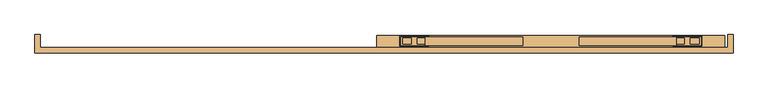
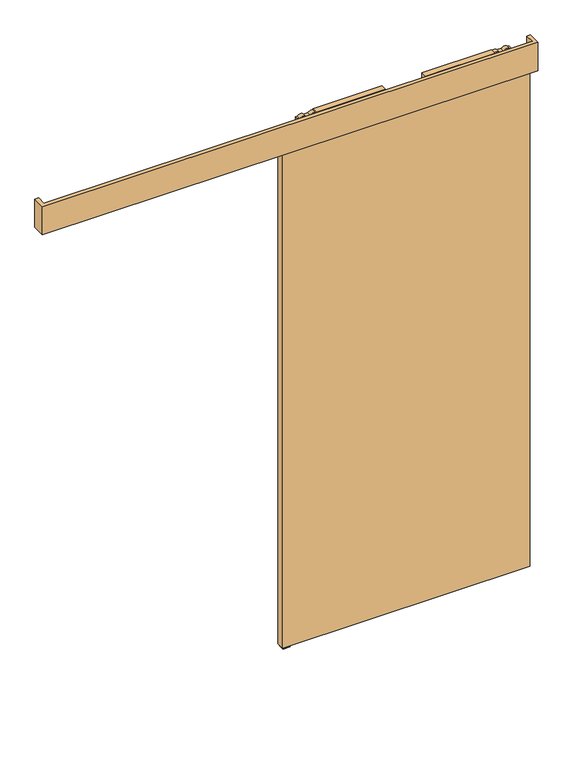
"""IFC4 building model written with IfcOpenShell, lengths in millimetres: door geometry."""

from ifc_helpers import new_model, si_unit, point, frame, frame_2d, origin, place, context, project, spatial, polyline, circle_curve, trimmed, segment, composite_curve, outline, extrude, source, transform, mapped, element, save
from ifc_brep_helpers import plane_surface, cylinder_surface, advanced_brep


def door_35583981(model_context):
    return source(origin(), model_context, "Body", "SolidModel", [
        extrude(outline(polyline([(2696.7, 550.45), (2696.7, 214.75), (2669.7, 214.75), (2669.7, 220.35), (2694.7, 220.35), (2694.7, 225.0), (2664.6, 225.0), (2664.6, 550.45), (2696.7, 550.45)])), frame((0.0, -14.7425737, 0.0), z_axis=(0.0, 1.0, 0.0), x_axis=(0.0, 0.0, 1.0)), (0.0, 0.0, 1.0), 29.0),
        advanced_brep(
        [(130.0, 14.2574263, 2687.3), (130.0, -14.7425737, 2687.3), (225.0, -14.7425737, 2687.3), (225.0, 14.2574263, 2687.3), (187.927668, -10.9457536, 2687.3), (187.927668, 10.4606061, 2687.3), (218.21694, 10.4606061, 2687.3), (218.21694, -10.9457536, 2687.3), (136.78306, -10.9457536, 2687.3), (136.78306, 10.4606061, 2687.3), (167.072332, 10.4606061, 2687.3), (167.072332, -10.9457536, 2687.3), (130.0, 14.2574263, 2672.3), (225.0, 14.2574263, 2672.3), (225.0, -14.7425737, 2672.3), (130.0, -14.7425737, 2672.3), (218.21694, -10.9457536, 2672.3), (218.21694, 10.4606061, 2672.3), (187.927668, 10.4606061, 2672.3), (187.927668, -10.9457536, 2672.3), (167.072332, -10.9457536, 2672.3), (167.072332, 10.4606061, 2672.3), (136.78306, 10.4606061, 2672.3), (136.78306, -10.9457536, 2672.3), (182.45, -0.5, 2672.3), (172.55, -0.5, 2672.3), (182.45, -0.5, 2653.8), (172.55, -0.5, 2653.8)],
        [
            (0, 1),
            (1, 2),
            (2, 3),
            (3, 0),
            (4, 5),
            (5, 6),
            (6, 7),
            (7, 4),
            (8, 9),
            (9, 10),
            (10, 11),
            (11, 8),
            (12, 13),
            (13, 14),
            (14, 15),
            (15, 12),
            (16, 17),
            (17, 18),
            (18, 19),
            (19, 16),
            (20, 21),
            (21, 22),
            (22, 23),
            (23, 20),
            (24, 25, circle_curve(frame((177.5, -0.5, 2672.3), z_axis=(0.0, 0.0, 1.0), x_axis=(-1.0, 0.0, 0.0)), 4.95)),
            (25, 24, circle_curve(frame((177.5, -0.5, 2672.3), z_axis=(0.0, 0.0, 1.0), x_axis=(-1.0, 0.0, 0.0)), 4.95)),
            (3, 13),
            (12, 0),
            (2, 14),
            (1, 15),
            (7, 4, circle_curve(frame((203.072304, -10.9457536, 2679.8), z_axis=(0.0, -1.0, 0.0), x_axis=(-1.0, 0.0, 0.0)), 16.9)),
            (19, 16, circle_curve(frame((203.072304, -10.9457536, 2679.8), z_axis=(0.0, -1.0, 0.0), x_axis=(-1.0, 0.0, 0.0)), 16.9)),
            (5, 6, circle_curve(frame((203.072304, 10.4606061, 2679.8), z_axis=(0.0, 1.0, 0.0), x_axis=(-1.0, 0.0, 0.0)), 16.9)),
            (17, 18, circle_curve(frame((203.072304, 10.4606061, 2679.8), z_axis=(0.0, 1.0, 0.0), x_axis=(-1.0, 0.0, 0.0)), 16.9)),
            (11, 8, circle_curve(frame((151.927696, -10.9457536, 2679.8), z_axis=(0.0, -1.0, 0.0), x_axis=(1.0, 0.0, 0.0)), 16.9)),
            (23, 20, circle_curve(frame((151.927696, -10.9457536, 2679.8), z_axis=(0.0, -1.0, 0.0), x_axis=(1.0, 0.0, 0.0)), 16.9)),
            (9, 10, circle_curve(frame((151.927696, 10.4606061, 2679.8), z_axis=(0.0, 1.0, 0.0), x_axis=(1.0, 0.0, 0.0)), 16.9)),
            (21, 22, circle_curve(frame((151.927696, 10.4606061, 2679.8), z_axis=(0.0, 1.0, 0.0), x_axis=(1.0, 0.0, 0.0)), 16.9)),
            (26, 27, circle_curve(frame((177.5, -0.5, 2653.8), z_axis=(0.0, 0.0, -1.0), x_axis=(-1.0, 0.0, 0.0)), 4.95)),
            (27, 26, circle_curve(frame((177.5, -0.5, 2653.8), z_axis=(0.0, 0.0, -1.0), x_axis=(-1.0, 0.0, 0.0)), 4.95)),
            (26, 24),
            (25, 27),
        ],
        [
            plane_surface(frame((225.0, 14.2574263, 2687.3), z_axis=(0.0, 0.0, 1.0), x_axis=(1.0, 0.0, 0.0))),
            plane_surface(frame((225.0, 14.2574263, 2672.3), z_axis=(0.0, 0.0, -1.0), x_axis=(-1.0, 0.0, 0.0))),
            plane_surface(frame((130.0, 14.2574263, 2687.3), z_axis=(0.0, 1.0, 0.0), x_axis=(0.0, 0.0, -1.0))),
            plane_surface(frame((225.0, 14.2574263, 2687.3), z_axis=(1.0, 0.0, 0.0), x_axis=(0.0, 0.0, -1.0))),
            plane_surface(frame((225.0, -14.7425737, 2687.3), z_axis=(0.0, -1.0, 0.0), x_axis=(0.0, 0.0, -1.0))),
            plane_surface(frame((130.0, -14.7425737, 2687.3), z_axis=(-1.0, 0.0, 0.0), x_axis=(0.0, 0.0, -1.0))),
            plane_surface(frame((186.172304, -10.9457536, 2679.8), z_axis=(0.0, -1.0, 0.0), x_axis=(0.0, 0.0, 1.0))),
            plane_surface(frame((186.172304, 10.4606061, 2679.8), z_axis=(0.0, 1.0, 0.0), x_axis=(0.0, 0.0, -1.0))),
            cylinder_surface(frame((203.072304, 10.4606061, 2679.8), z_axis=(0.0, -1.0, 0.0), x_axis=(-1.0, 0.0, 0.0)), 16.9),
            plane_surface(frame((168.827696, -10.9457536, 2679.8), z_axis=(0.0, -1.0, 0.0), x_axis=(0.0, 0.0, -1.0))),
            plane_surface(frame((168.827696, 10.4606061, 2679.8), z_axis=(0.0, 1.0, 0.0), x_axis=(0.0, 0.0, 1.0))),
            cylinder_surface(frame((151.927696, 10.4606061, 2679.8), z_axis=(0.0, -1.0, 0.0), x_axis=(1.0, 0.0, 0.0)), 16.9),
            plane_surface(frame((172.55, -0.5, 2653.8), z_axis=(0.0, 0.0, -1.0), x_axis=(0.0, -1.0, 0.0))),
            cylinder_surface(frame((177.5, -0.5, 2653.8), z_axis=(0.0, 0.0, 1.0), x_axis=(-1.0, 0.0, 0.0)), 4.95),
        ],
        [
            (0, [[1, 2, 3, 4], [5, 6, 7, 8], [9, 10, 11, 12]]),
            (1, [[13, 14, 15, 16], [17, 18, 19, 20], [21, 22, 23, 24], [25, 26]]),
            (2, [[27, -13, 28, -4]]),
            (3, [[29, -14, -27, -3]]),
            (4, [[30, -15, -29, -2]]),
            (5, [[-28, -16, -30, -1]]),
            (6, [[-8, 31]]),
            (6, [[-20, 32]]),
            (7, [[-6, 33]]),
            (7, [[-18, 34]]),
            (8, [[-19, -34, -17, -32]]),
            (8, [[-7, -33, -5, -31]]),
            (9, [[-12, 35]]),
            (9, [[-24, 36]]),
            (10, [[-10, 37]]),
            (10, [[-22, 38]]),
            (11, [[-23, -38, -21, -36]]),
            (11, [[-11, -37, -9, -35]]),
            (12, [[39, 40]]),
            (13, [[41, -26, 42, -39]]),
            (13, [[-42, -25, -41, -40]]),
        ],
    ),
        extrude(outline(composite_curve([segment(trimmed(circle_curve(frame_2d((177.4999644, -0.1875)), 12.254021), [point((189.7539853, -0.1875))], [point((165.2459434, -0.1875))], False, "CARTESIAN"), True, "CONTINUOUS"), segment(trimmed(circle_curve(frame_2d((177.4999644, -0.1875)), 12.254021), [point((165.2459434, -0.1875))], [point((189.7539853, -0.1875))], False, "CARTESIAN"), True, "CONTINUOUS")], self_intersect=False)), frame((0.0, 0.0, 2645.0), z_axis=(0.0, 0.0, 1.0), x_axis=(1.0, 0.0, 0.0)), (0.0, 0.0, 1.0), 8.8),
        extrude(outline(polyline([(2631.0, 127.5), (2631.0, 227.5), (2634.8, 227.5), (2645.0, 189.75), (2645.0, 165.25), (2634.8, 127.5), (2631.0, 127.5)])), frame((0.0, -17.7425737, 0.0), z_axis=(0.0, 1.0, 0.0), x_axis=(0.0, 0.0, 1.0)), (0.0, 0.0, 1.0), 35.0),
        extrude(outline(polyline([(2696.7, 744.55), (2664.6, 744.55), (2664.6, 1070.0), (2694.7, 1070.0), (2694.7, 1074.65), (2669.7, 1074.65), (2669.7, 1080.25), (2696.7, 1080.25), (2696.7, 744.55)])), frame((0.0, -14.7425737, 0.0), z_axis=(0.0, 1.0, 0.0), x_axis=(0.0, 0.0, 1.0)), (0.0, 0.0, 1.0), 29.0),
        advanced_brep(
        [(1165.0, 14.2574263, 2687.3), (1070.0, 14.2574263, 2687.3), (1070.0, -14.7425737, 2687.3), (1165.0, -14.7425737, 2687.3), (1107.072332, -10.9457536, 2687.3), (1076.78306, -10.9457536, 2687.3), (1076.78306, 10.4606061, 2687.3), (1107.072332, 10.4606061, 2687.3), (1158.21694, -10.9457536, 2687.3), (1127.927668, -10.9457536, 2687.3), (1127.927668, 10.4606061, 2687.3), (1158.21694, 10.4606061, 2687.3), (1165.0, 14.2574263, 2672.3), (1165.0, -14.7425737, 2672.3), (1070.0, -14.7425737, 2672.3), (1070.0, 14.2574263, 2672.3), (1076.78306, -10.9457536, 2672.3), (1107.072332, -10.9457536, 2672.3), (1107.072332, 10.4606061, 2672.3), (1076.78306, 10.4606061, 2672.3), (1127.927668, -10.9457536, 2672.3), (1158.21694, -10.9457536, 2672.3), (1158.21694, 10.4606061, 2672.3), (1127.927668, 10.4606061, 2672.3), (1112.55, -0.5, 2672.3), (1122.45, -0.5, 2672.3), (1112.55, -0.5, 2653.8), (1122.45, -0.5, 2653.8)],
        [
            (0, 1),
            (1, 2),
            (2, 3),
            (3, 0),
            (4, 5),
            (5, 6),
            (6, 7),
            (7, 4),
            (8, 9),
            (9, 10),
            (10, 11),
            (11, 8),
            (12, 13),
            (13, 14),
            (14, 15),
            (15, 12),
            (16, 17),
            (17, 18),
            (18, 19),
            (19, 16),
            (20, 21),
            (21, 22),
            (22, 23),
            (23, 20),
            (24, 25, circle_curve(frame((1117.5, -0.5, 2672.3), z_axis=(0.0, 0.0, 1.0), x_axis=(1.0, 0.0, 0.0)), 4.95)),
            (25, 24, circle_curve(frame((1117.5, -0.5, 2672.3), z_axis=(0.0, 0.0, 1.0), x_axis=(1.0, 0.0, 0.0)), 4.95)),
            (0, 12),
            (15, 1),
            (14, 2),
            (13, 3),
            (16, 17, circle_curve(frame((1091.927696, -10.9457536, 2679.8), z_axis=(0.0, -1.0, 0.0), x_axis=(1.0, 0.0, 0.0)), 16.9)),
            (4, 5, circle_curve(frame((1091.927696, -10.9457536, 2679.8), z_axis=(0.0, -1.0, 0.0), x_axis=(1.0, 0.0, 0.0)), 16.9)),
            (6, 7, circle_curve(frame((1091.927696, 10.4606061, 2679.8), z_axis=(0.0, 1.0, 0.0), x_axis=(1.0, 0.0, 0.0)), 16.9)),
            (18, 19, circle_curve(frame((1091.927696, 10.4606061, 2679.8), z_axis=(0.0, 1.0, 0.0), x_axis=(1.0, 0.0, 0.0)), 16.9)),
            (8, 9, circle_curve(frame((1143.072304, -10.9457536, 2679.8), z_axis=(0.0, -1.0, 0.0), x_axis=(-1.0, 0.0, 0.0)), 16.9)),
            (20, 21, circle_curve(frame((1143.072304, -10.9457536, 2679.8), z_axis=(0.0, -1.0, 0.0), x_axis=(-1.0, 0.0, 0.0)), 16.9)),
            (22, 23, circle_curve(frame((1143.072304, 10.4606061, 2679.8), z_axis=(0.0, 1.0, 0.0), x_axis=(-1.0, 0.0, 0.0)), 16.9)),
            (10, 11, circle_curve(frame((1143.072304, 10.4606061, 2679.8), z_axis=(0.0, 1.0, 0.0), x_axis=(-1.0, 0.0, 0.0)), 16.9)),
            (26, 27, circle_curve(frame((1117.5, -0.5, 2653.8), z_axis=(0.0, 0.0, -1.0), x_axis=(1.0, 0.0, 0.0)), 4.95)),
            (27, 26, circle_curve(frame((1117.5, -0.5, 2653.8), z_axis=(0.0, 0.0, -1.0), x_axis=(1.0, 0.0, 0.0)), 4.95)),
            (27, 25),
            (24, 26),
        ],
        [
            plane_surface(frame((1070.0, 14.2574263, 2687.3), z_axis=(0.0, 0.0, 1.0), x_axis=(-1.0, 0.0, 0.0))),
            plane_surface(frame((1070.0, 14.2574263, 2672.3), z_axis=(0.0, 0.0, -1.0), x_axis=(1.0, 0.0, 0.0))),
            plane_surface(frame((1165.0, 14.2574263, 2687.3), z_axis=(0.0, 1.0, 0.0), x_axis=(0.0, 0.0, -1.0))),
            plane_surface(frame((1070.0, 14.2574263, 2687.3), z_axis=(-1.0, 0.0, 0.0), x_axis=(0.0, 0.0, -1.0))),
            plane_surface(frame((1070.0, -14.7425737, 2687.3), z_axis=(0.0, -1.0, 0.0), x_axis=(0.0, 0.0, -1.0))),
            plane_surface(frame((1165.0, -14.7425737, 2687.3), z_axis=(1.0, 0.0, 0.0), x_axis=(0.0, 0.0, -1.0))),
            plane_surface(frame((1108.827696, -10.9457536, 2679.8), z_axis=(0.0, -1.0, 0.0), x_axis=(0.0, 0.0, 1.0))),
            plane_surface(frame((1108.827696, 10.4606061, 2679.8), z_axis=(0.0, 1.0, 0.0), x_axis=(0.0, 0.0, -1.0))),
            cylinder_surface(frame((1091.927696, 10.4606061, 2679.8), z_axis=(0.0, -1.0, 0.0), x_axis=(1.0, 0.0, 0.0)), 16.9),
            plane_surface(frame((1126.172304, -10.9457536, 2679.8), z_axis=(0.0, -1.0, 0.0), x_axis=(0.0, 0.0, -1.0))),
            plane_surface(frame((1126.172304, 10.4606061, 2679.8), z_axis=(0.0, 1.0, 0.0), x_axis=(0.0, 0.0, 1.0))),
            cylinder_surface(frame((1143.072304, 10.4606061, 2679.8), z_axis=(0.0, -1.0, 0.0), x_axis=(-1.0, 0.0, 0.0)), 16.9),
            plane_surface(frame((1122.45, -0.5, 2653.8), z_axis=(0.0, 0.0, -1.0), x_axis=(0.0, -1.0, 0.0))),
            cylinder_surface(frame((1117.5, -0.5, 2653.8), z_axis=(0.0, 0.0, 1.0), x_axis=(1.0, 0.0, 0.0)), 4.95),
        ],
        [
            (0, [[1, 2, 3, 4], [5, 6, 7, 8], [9, 10, 11, 12]]),
            (1, [[13, 14, 15, 16], [17, 18, 19, 20], [21, 22, 23, 24], [25, 26]]),
            (2, [[-1, 27, -16, 28]]),
            (3, [[-2, -28, -15, 29]]),
            (4, [[-3, -29, -14, 30]]),
            (5, [[-4, -30, -13, -27]]),
            (6, [[31, -17]]),
            (6, [[32, -5]]),
            (7, [[33, -7]]),
            (7, [[34, -19]]),
            (8, [[-31, -20, -34, -18]]),
            (8, [[-32, -8, -33, -6]]),
            (9, [[35, -9]]),
            (9, [[36, -21]]),
            (10, [[37, -23]]),
            (10, [[38, -11]]),
            (11, [[-36, -24, -37, -22]]),
            (11, [[-35, -12, -38, -10]]),
            (12, [[39, 40]]),
            (13, [[-40, 41, -25, 42]]),
            (13, [[-39, -42, -26, -41]]),
        ],
    ),
        extrude(outline(composite_curve([segment(trimmed(circle_curve(frame_2d((1117.5000356, -0.1875)), 12.254021), [point((1105.2460147, -0.1875))], [point((1129.7540566, -0.1875))], False, "CARTESIAN"), True, "CONTINUOUS"), segment(trimmed(circle_curve(frame_2d((1117.5000356, -0.1875)), 12.254021), [point((1129.7540566, -0.1875))], [point((1105.2460147, -0.1875))], False, "CARTESIAN"), True, "CONTINUOUS")], self_intersect=False)), frame((0.0, 0.0, 2645.0), z_axis=(0.0, 0.0, 1.0), x_axis=(1.0, 0.0, 0.0)), (0.0, 0.0, 1.0), 8.8),
        extrude(outline(polyline([(2631.0, 1167.5), (2634.8, 1167.5), (2645.0, 1129.75), (2645.0, 1105.25), (2634.8, 1067.5), (2631.0, 1067.5), (2631.0, 1167.5)])), frame((0.0, -17.7425737, 0.0), z_axis=(0.0, 1.0, 0.0), x_axis=(0.0, 0.0, 1.0)), (0.0, 0.0, 1.0), 35.0),
        extrude(outline(polyline([(47.5, 19.5), (1247.5, 19.5), (1247.5, -20.5), (47.5, -20.5), (47.5, 19.5)])), frame((0.0, 0.0, 10.0), z_axis=(0.0, 0.0, 1.0), x_axis=(1.0, 0.0, 0.0)), (0.0, 0.0, 1.0), 2621.0),
        extrude(outline(polyline([(-1130.5, 22.0), (-1112.5, 22.0), (-1112.5, -23.0), (1257.5, -23.0), (1257.5, 22.0), (1275.5, 22.0), (1275.5, -41.0), (-1130.5, -41.0), (-1130.5, 22.0)])), frame((0.0, 0.0, 2555.0), z_axis=(0.0, 0.0, 1.0), x_axis=(1.0, 0.0, 0.0)), (0.0, 0.0, 1.0), 145.0),
        extrude(outline(polyline([(15.3483682, 2.0), (15.3483682, 0.0), (-14.5, 0.0), (-14.5, 2.0), (-2.6516318, 2.0), (-2.6516318, 26.0), (1.6516318, 26.0), (1.6516318, 2.0), (15.3483682, 2.0)])), frame((52.5, 0.0, 0.0), z_axis=(1.0, 0.0, 0.0), x_axis=(0.0, 1.0, 0.0)), (0.0, 0.0, 1.0), 35.0),
    ])


if __name__ == "__main__":
    model = new_model("IFC4")
    model_context = context("Model", 3, world=origin())
    ifc_project = project(units=[si_unit("LENGTHUNIT", "METRE", prefix="MILLI")], contexts=[model_context])
    site = spatial("IfcSite", under=ifc_project)
    building = spatial("IfcBuilding", under=site)
    placement = place(None, origin())
    door_shape = door_35583981(model_context)
    element("IfcDoor", 1, at=placement, inside=building, context=model_context, shape_type="MappedRepresentation", body=[
        mapped(door_shape, transform((0.0, 0.0, 0.0), x_axis=(1.0, 0.0, 0.0), y_axis=(0.0, 1.0, 0.0), z_axis=(0.0, 0.0, 1.0))),
    ])
    save(model, "model.ifc")
